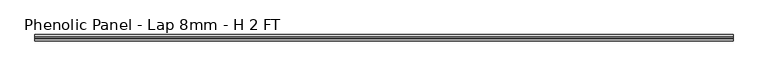
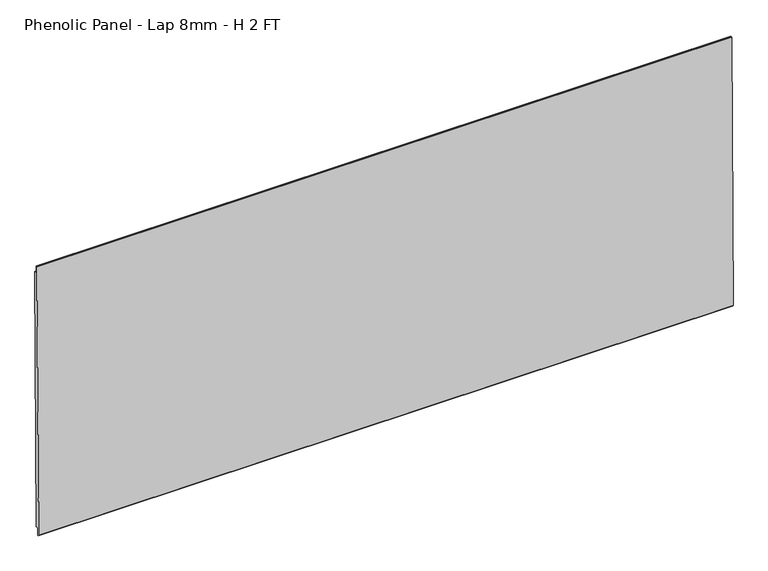
"""IFC4 building model written with IfcOpenShell, lengths in millimetres: proxy geometry, Phenolic Panel - Lap 8mm - H 2 FT."""

from ifc_helpers import new_model, si_unit, frame, origin, place, context, project, spatial, polyline, outline, extrude, source, transform, mapped, element, save


def phenolic_panel_lap_8mm_h_2_ft_e486f730(model_context):
    return source(origin(), model_context, "Body", "SweptSolid", [
        extrude(outline(polyline([(2.7732555, 593.6735917), (-2.7736212, 15.850215), (-5.1547614, 15.873073), (-5.0785681, 23.8102073), (-7.6581367, 23.8349701), (-7.8867168, 0.0235672), (-9.8571575, 0.0424827), (-10.8534851, 1.0581244), (-5.0211492, 608.618069), (-4.0055075, 609.6143966), (-2.6240021, 609.6011347), (-2.7763888, 593.7268661), (2.7732555, 593.6735917)])), frame((-276.225, 0.0, 0.0), z_axis=(1.0, 0.0, 0.0), x_axis=(0.0, 1.0, 0.0)), (0.0, 0.0, 1.0), 1495.425),
    ])


if __name__ == "__main__":
    model = new_model("IFC4")
    model_context = context("Model", 3, world=origin())
    ifc_project = project(units=[si_unit("LENGTHUNIT", "METRE", prefix="MILLI")], contexts=[model_context])
    site = spatial("IfcSite", under=ifc_project)
    building = spatial("IfcBuilding", under=site)
    placement = place(None, origin())
    phenolic_panel_lap_8mm_h_2_ft_shape = phenolic_panel_lap_8mm_h_2_ft_e486f730(model_context)
    element("IfcBuildingElementProxy", 1, Name="Phenolic Panel - Lap 8mm - H 2 FT", ObjectType="Phenolic Panel - Lap 8mm - H 2 FT", at=placement, inside=building, context=model_context, shape_type="MappedRepresentation", body=[
        mapped(phenolic_panel_lap_8mm_h_2_ft_shape, transform((0.0, 0.0, 0.0), x_axis=(1.0, 0.0, 0.0), y_axis=(0.0, 1.0, 0.0), z_axis=(0.0, 0.0, 1.0))),
    ])
    save(model, "model.ifc")
